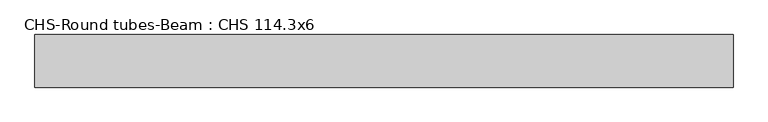
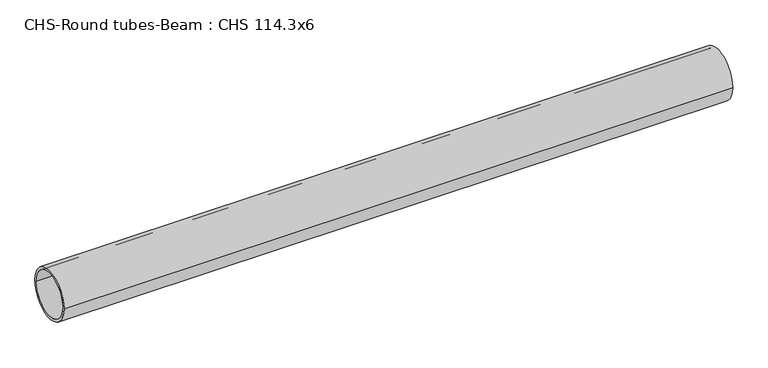
"""IFC4 building model written with IfcOpenShell, lengths in millimetres: beam geometry, CHS-Round tubes-Beam : CHS 114.3x6."""

from ifc_helpers import new_model, si_unit, point, frame, origin, origin_2d, place, context, project, spatial, circle_curve, trimmed, segment, composite_curve, outline, extrude, source, transform, mapped, element, save


def chs_round_tubes_beam_chs_114_3x6_aaea9244(model_context):
    return source(origin(), model_context, "Body", "SweptSolid", [
        extrude(outline(composite_curve([segment(trimmed(circle_curve(origin_2d(), 57.15), [point((57.15, 0.0))], [point((-57.15, 0.0))], False, "CARTESIAN"), True, "CONTINUOUS"), segment(trimmed(circle_curve(origin_2d(), 57.15), [point((-57.15, 0.0))], [point((57.15, 0.0))], False, "CARTESIAN"), True, "CONTINUOUS")], self_intersect=False), holes=[composite_curve([segment(trimmed(circle_curve(origin_2d(), 51.15), [point((51.15, 0.0))], [point((-51.15, 0.0))], True, "CARTESIAN"), True, "CONTINUOUS"), segment(trimmed(circle_curve(origin_2d(), 51.15), [point((-51.15, 0.0))], [point((51.15, 0.0))], True, "CARTESIAN"), True, "CONTINUOUS")], self_intersect=False)]), frame((-750.7261047, 0.0, 0.0), z_axis=(1.0, 0.0, 0.0), x_axis=(0.0, 1.0, 0.0)), (0.0, 0.0, 1.0), 1516.1442597),
    ])


if __name__ == "__main__":
    model = new_model("IFC4")
    model_context = context("Model", 3, world=origin())
    ifc_project = project(units=[si_unit("LENGTHUNIT", "METRE", prefix="MILLI")], contexts=[model_context])
    site = spatial("IfcSite", under=ifc_project)
    building = spatial("IfcBuilding", under=site)
    placement = place(None, origin())
    chs_round_tubes_beam_chs_114_3x6_shape = chs_round_tubes_beam_chs_114_3x6_aaea9244(model_context)
    element("IfcBeam", 1, ObjectType="CHS-Round tubes-Beam : CHS 114.3x6", at=placement, inside=building, context=model_context, shape_type="MappedRepresentation", body=[
        mapped(chs_round_tubes_beam_chs_114_3x6_shape, transform((0.0, 0.0, 0.0), x_axis=(1.0, 0.0, 0.0), y_axis=(0.0, 1.0, 0.0), z_axis=(0.0, 0.0, 1.0))),
    ])
    save(model, "model.ifc")
